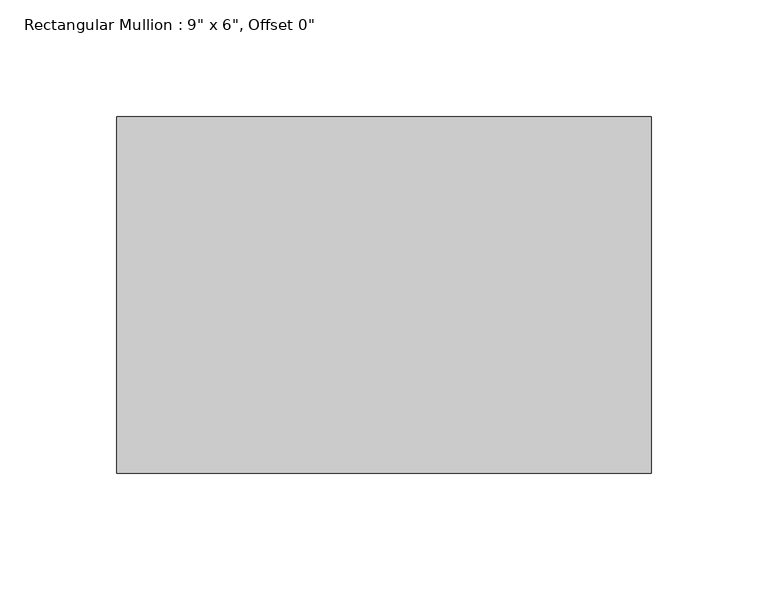
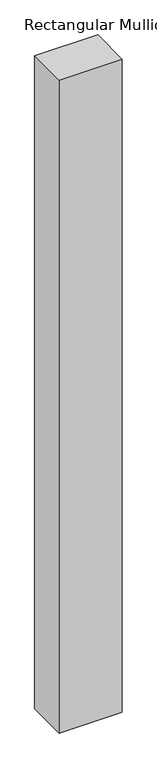
"""IFC4 building model written with IfcOpenShell, lengths in millimetres: member geometry."""

from ifc_helpers import new_model, si_unit, frame, origin, place, context, project, spatial, polyline, outline, extrude, source, transform, mapped, element, save


def member_f1ecfbc8(model_context):
    return source(origin(), model_context, "Body", "SweptSolid", [
        extrude(outline(polyline([(114.3, 76.2), (114.3, -76.2), (-114.3, -76.2), (-114.3, 76.2), (114.3, 76.2)])), frame((0.0, 0.0, -2497.6666667), z_axis=(0.0, 0.0, 1.0), x_axis=(1.0, 0.0, 0.0)), (0.0, 0.0, 1.0), 2497.6666667),
    ])


if __name__ == "__main__":
    model = new_model("IFC4")
    model_context = context("Model", 3, world=origin())
    ifc_project = project(units=[si_unit("LENGTHUNIT", "METRE", prefix="MILLI")], contexts=[model_context])
    site = spatial("IfcSite", under=ifc_project)
    building = spatial("IfcBuilding", under=site)
    placement = place(None, origin())
    member_shape = member_f1ecfbc8(model_context)
    element("IfcMember", 1, ObjectType="Rectangular Mullion : 9\" x 6\", Offset 0\"", at=placement, inside=building, context=model_context, shape_type="MappedRepresentation", body=[
        mapped(member_shape, transform((0.0, 0.0, 0.0), x_axis=(1.0, 0.0, 0.0), y_axis=(0.0, 1.0, 0.0), z_axis=(0.0, 0.0, 1.0))),
    ])
    save(model, "model.ifc")
